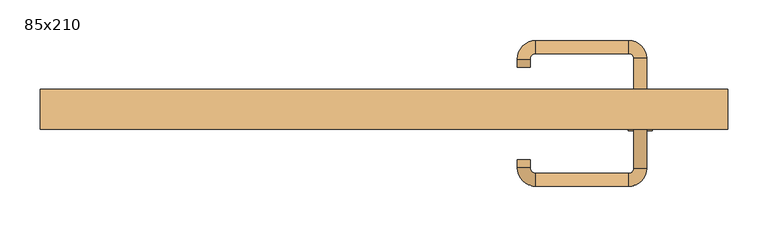
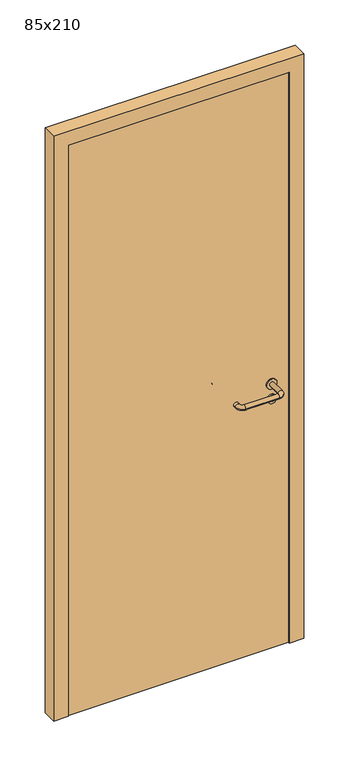
"""IFC4 building model written with IfcOpenShell, lengths in millimetres: door geometry, 85x210."""

from ifc_helpers import new_model, si_unit, point, frame, frame_2d, origin, origin_with_axes, place, context, project, spatial, polyline, circle_curve, ellipse_curve, trimmed, segment, composite_curve, outline, extrude, source, transform, mapped, element, save
from ifc_brep_helpers import plane_surface, cylinder_surface, revolved_surface, advanced_brep


def door_85x210_19d5e793(model_context):
    return source(origin(), model_context, "Body", "SolidModel", [
        extrude(outline(composite_curve([segment(trimmed(circle_curve(frame_2d((897.3605726, 317.0)), 15.0), [point((897.3605726, 332.0))], [point((897.3605726, 302.0))], False, "CARTESIAN"), True, "CONTINUOUS"), segment(trimmed(circle_curve(frame_2d((897.3605726, 317.0)), 15.0), [point((897.3605726, 302.0))], [point((897.3605726, 332.0))], False, "CARTESIAN"), True, "CONTINUOUS")], self_intersect=False), holes=[composite_curve([segment(trimmed(circle_curve(frame_2d((892.5833211, 316.9398032)), 2.0), [point((892.5833211, 318.9398032))], [point((892.5833211, 314.9398032))], True, "CARTESIAN"), True, "CONTINUOUS"), segment(polyline([(892.5833211, 314.9398032), (902.5833211, 314.9398032)]), True, "CONTINUOUS"), segment(trimmed(circle_curve(frame_2d((902.5833211, 316.9398032)), 2.0), [point((902.5833211, 314.9398032))], [point((902.5833211, 318.9398032))], True, "CARTESIAN"), True, "CONTINUOUS"), segment(polyline([(902.5833211, 318.9398032), (892.5833211, 318.9398032)]), True, "CONTINUOUS")], self_intersect=False)]), frame((0.0, -40.0, 0.0), z_axis=(0.0, 1.0, 0.0), x_axis=(0.0, 0.0, 1.0)), (0.0, 0.0, 1.0), 6.35),
        extrude(outline(composite_curve([segment(trimmed(circle_curve(frame_2d((950.0, 317.0)), 17.526), [point((950.0, 334.526))], [point((950.0, 299.474))], False, "CARTESIAN"), True, "CONTINUOUS"), segment(trimmed(circle_curve(frame_2d((950.0, 317.0)), 17.526), [point((950.0, 299.474))], [point((950.0, 334.526))], False, "CARTESIAN"), True, "CONTINUOUS")], self_intersect=False)), frame((0.0, -40.0, 0.0), z_axis=(0.0, 1.0, 0.0), x_axis=(0.0, 0.0, 1.0)), (0.0, 0.0, 1.0), 3.175),
        advanced_brep(
        [(325.0, -40.0, 950.0), (309.0, -40.0, 950.0), (325.0, 13.0, 950.0), (309.0, 13.0, 950.0), (302.8578644, 19.1421356, 950.0), (302.8578644, 35.1421356, 950.0), (187.8578644, 35.1421356, 950.0), (187.8578644, 19.1421356, 950.0), (181.008622, 12.2928932, 950.0), (165.008622, 12.2928932, 950.0), (165.008622, 2.2928932, 950.0), (181.008622, 2.2928932, 950.0)],
        [
            (0, 1, circle_curve(frame((317.0, -40.0, 950.0), z_axis=(0.0, -1.0, 0.0), x_axis=(-1.0, 0.0, 0.0)), 8.0)),
            (1, 0, circle_curve(frame((317.0, -40.0, 950.0), z_axis=(0.0, -1.0, 0.0), x_axis=(-1.0, 0.0, 0.0)), 8.0)),
            (0, 2),
            (2, 3, circle_curve(frame((317.0, 13.0, 950.0), z_axis=(0.0, -1.0, 0.0), x_axis=(-1.0, 0.0, 0.0)), 8.0)),
            (3, 1),
            (3, 2, circle_curve(frame((317.0, 13.0, 950.0), z_axis=(0.0, -1.0, 0.0), x_axis=(-1.0, 0.0, 0.0)), 8.0)),
            (4, 3, circle_curve(frame((302.8578644, 13.0, 950.0), z_axis=(0.0, 0.0, -1.0), x_axis=(1.0, 0.0, 0.0)), 6.1421356)),
            (2, 5, circle_curve(frame((302.8578644, 13.0, 950.0), z_axis=(0.0, 0.0, 1.0), x_axis=(1.0, 0.0, 0.0)), 22.1421356)),
            (5, 4, circle_curve(frame((302.8578644, 27.1421356, 950.0), z_axis=(1.0, 0.0, 0.0), x_axis=(0.0, -1.0, 0.0)), 8.0)),
            (4, 5, circle_curve(frame((302.8578644, 27.1421356, 950.0), z_axis=(1.0, 0.0, 0.0), x_axis=(0.0, -1.0, 0.0)), 8.0)),
            (5, 6),
            (6, 7, circle_curve(frame((187.8578644, 27.1421356, 950.0), z_axis=(1.0, 0.0, 0.0), x_axis=(0.0, -1.0, 0.0)), 8.0)),
            (7, 4),
            (7, 6, circle_curve(frame((187.8578644, 27.1421356, 950.0), z_axis=(1.0, 0.0, 0.0), x_axis=(0.0, -1.0, 0.0)), 8.0)),
            (8, 7, circle_curve(frame((187.8578644, 12.2928932, 950.0), z_axis=(0.0, 0.0, -1.0), x_axis=(0.0, 1.0, 0.0)), 6.8492424)),
            (6, 9, circle_curve(frame((187.8578644, 12.2928932, 950.0), z_axis=(0.0, 0.0, 1.0), x_axis=(0.0, 1.0, 0.0)), 22.8492424)),
            (9, 8, circle_curve(frame((173.008622, 12.2928932, 950.0), z_axis=(0.0, 1.0, 0.0), x_axis=(1.0, 0.0, 0.0)), 8.0)),
            (8, 9, circle_curve(frame((173.008622, 12.2928932, 950.0), z_axis=(0.0, 1.0, 0.0), x_axis=(1.0, 0.0, 0.0)), 8.0)),
            (10, 11, circle_curve(frame((173.008622, 2.2928932, 950.0), z_axis=(0.0, -1.0, 0.0), x_axis=(1.0, 0.0, 0.0)), 8.0)),
            (11, 10, circle_curve(frame((173.008622, 2.2928932, 950.0), z_axis=(0.0, -1.0, 0.0), x_axis=(1.0, 0.0, 0.0)), 8.0)),
            (9, 10),
            (11, 8),
        ],
        [
            plane_surface(frame((317.0, -40.0, 170.0), z_axis=(0.0, -1.0, 0.0), x_axis=(0.0, 0.0, 1.0))),
            cylinder_surface(frame((317.0, -40.0, 950.0), z_axis=(0.0, -1.0, 0.0), x_axis=(-1.0, 0.0, 0.0)), 8.0),
            revolved_surface(trimmed(ellipse_curve(frame((317.0, 13.0, 950.0), z_axis=(0.0, -1.0, 0.0), x_axis=(-1.0, 0.0, 0.0)), 8.0, 8.0), [point((325.0, 13.0, 950.0))], [point((309.0, 13.0, 950.0))], True, "CARTESIAN"), (302.8578644, 13.0, 170.0), (0.0, 0.0, 1.0)),
            revolved_surface(trimmed(ellipse_curve(frame((317.0, 13.0, 950.0), z_axis=(0.0, -1.0, 0.0), x_axis=(-1.0, 0.0, 0.0)), 8.0, 8.0), [point((309.0, 13.0, 950.0))], [point((325.0, 13.0, 950.0))], True, "CARTESIAN"), (302.8578644, 13.0, 170.0), (0.0, 0.0, 1.0)),
            cylinder_surface(frame((302.8578644, 27.1421356, 950.0), z_axis=(1.0, 0.0, 0.0), x_axis=(0.0, -1.0, 0.0)), 8.0),
            revolved_surface(trimmed(ellipse_curve(frame((187.8578644, 27.1421356, 950.0), z_axis=(1.0, 0.0, 0.0), x_axis=(0.0, -1.0, 0.0)), 8.0, 8.0), [point((187.8578644, 35.1421356, 950.0))], [point((187.8578644, 19.1421356, 950.0))], True, "CARTESIAN"), (187.8578644, 12.2928932, 170.0), (0.0, 0.0, 1.0)),
            revolved_surface(trimmed(ellipse_curve(frame((187.8578644, 27.1421356, 950.0), z_axis=(1.0, 0.0, 0.0), x_axis=(0.0, -1.0, 0.0)), 8.0, 8.0), [point((187.8578644, 19.1421356, 950.0))], [point((187.8578644, 35.1421356, 950.0))], True, "CARTESIAN"), (187.8578644, 12.2928932, 170.0), (0.0, 0.0, 1.0)),
            plane_surface(frame((173.008622, 2.2928932, 170.0), z_axis=(0.0, -1.0, 0.0), x_axis=(0.0, 0.0, 1.0))),
            cylinder_surface(frame((173.008622, 12.2928932, 950.0), z_axis=(0.0, 1.0, 0.0), x_axis=(1.0, 0.0, 0.0)), 8.0),
        ],
        [
            (0, [[1, 2]]),
            (1, [[-1, 3, 4, 5]]),
            (1, [[-2, -5, 6, -3]]),
            (2, [[7, -4, 8, 9]]),
            (3, [[-8, -6, -7, 10]]),
            (4, [[-9, 11, 12, 13]]),
            (4, [[-10, -13, 14, -11]]),
            (5, [[15, -12, 16, 17]]),
            (6, [[-16, -14, -15, 18]]),
            (7, [[19, 20]]),
            (8, [[-17, 21, -20, 22]]),
            (8, [[-18, -22, -19, -21]]),
        ],
    ),
        extrude(outline(composite_curve([segment(trimmed(circle_curve(frame_2d((0.0, 15.0)), 15.0), [point((0.0, 30.0))], [point((0.0, 0.0))], False, "CARTESIAN"), True, "CONTINUOUS"), segment(trimmed(circle_curve(frame_2d((0.0, 15.0)), 15.0), [point((0.0, 0.0))], [point((0.0, 30.0))], False, "CARTESIAN"), True, "CONTINUOUS")], self_intersect=False), holes=[composite_curve([segment(trimmed(circle_curve(frame_2d((-4.7772515, 14.9398032)), 2.0), [point((-4.7772515, 16.9398032))], [point((-4.7772515, 12.9398032))], True, "CARTESIAN"), True, "CONTINUOUS"), segment(polyline([(-4.7772515, 12.9398032), (5.2227485, 12.9398032)]), True, "CONTINUOUS"), segment(trimmed(circle_curve(frame_2d((5.2227485, 14.9398032)), 2.0), [point((5.2227485, 12.9398032))], [point((5.2227485, 16.9398032))], True, "CARTESIAN"), True, "CONTINUOUS"), segment(polyline([(5.2227485, 16.9398032), (-4.7772515, 16.9398032)]), True, "CONTINUOUS")], self_intersect=False)]), frame((302.0, -76.35, 897.3605726), z_axis=(-1.8870575173328306e-12, 1.0, 0.0), x_axis=(0.0, 0.0, 1.0)), (0.0, 0.0, 1.0), 6.35),
        extrude(outline(composite_curve([segment(trimmed(circle_curve(frame_2d((0.0, 17.526)), 17.526), [point((0.0, 35.052))], [point((0.0, 0.0))], False, "CARTESIAN"), True, "CONTINUOUS"), segment(trimmed(circle_curve(frame_2d((0.0, 17.526)), 17.526), [point((0.0, 0.0))], [point((0.0, 35.052))], False, "CARTESIAN"), True, "CONTINUOUS")], self_intersect=False)), frame((299.474, -73.175, 950.0), z_axis=(-1.8870575173328306e-12, 1.0, 0.0), x_axis=(0.0, 0.0, 1.0)), (0.0, 0.0, 1.0), 3.175),
        advanced_brep(
        [(325.0, -70.0, 950.0), (309.0, -70.0, 950.0), (309.0, -123.0, 950.0), (325.0, -123.0, 950.0), (302.8578644, -129.1421356, 950.0), (302.8578644, -145.1421356, 950.0), (187.8578644, -129.1421356, 950.0), (187.8578644, -145.1421356, 950.0), (181.008622, -122.2928932, 950.0), (165.008622, -122.2928932, 950.0), (165.008622, -112.2928932, 950.0), (181.008622, -112.2928932, 950.0)],
        [
            (0, 1, circle_curve(frame((317.0, -70.0, 950.0), z_axis=(-1.888672253512351e-12, 1.0, 0.0), x_axis=(-1.0, -1.888672253512351e-12, 0.0)), 8.0)),
            (1, 0, circle_curve(frame((317.0, -70.0, 950.0), z_axis=(-1.888672253512351e-12, 1.0, 0.0), x_axis=(-1.0, -1.888672253512351e-12, 0.0)), 8.0)),
            (1, 2),
            (2, 3, circle_curve(frame((317.0, -123.0, 950.0), z_axis=(-1.888672253512351e-12, 1.0, 0.0), x_axis=(-1.0, -1.888672253512351e-12, 0.0)), 8.0)),
            (3, 0),
            (3, 2, circle_curve(frame((317.0, -123.0, 950.0), z_axis=(-1.888672253512351e-12, 1.0, 0.0), x_axis=(-1.0, -1.888672253512351e-12, 0.0)), 8.0)),
            (4, 5, circle_curve(frame((302.8578644, -137.1421356, 950.0), z_axis=(1.0, 1.913702061528922e-12, 0.0), x_axis=(-1.913702061528922e-12, 1.0, 0.0)), 8.0)),
            (5, 3, circle_curve(frame((302.8578644, -123.0, 950.0), z_axis=(0.0, 0.0, 1.0), x_axis=(1.0, 1.880717803715015e-12, 0.0)), 22.1421356)),
            (2, 4, circle_curve(frame((302.8578644, -123.0, 950.0), z_axis=(0.0, 0.0, -1.0), x_axis=(1.0, 1.880717803715015e-12, 0.0)), 6.1421356)),
            (5, 4, circle_curve(frame((302.8578644, -137.1421356, 950.0), z_axis=(1.0, 1.913702061528922e-12, 0.0), x_axis=(-1.913702061528922e-12, 1.0, 0.0)), 8.0)),
            (4, 6),
            (6, 7, circle_curve(frame((187.8578644, -137.1421356, 950.0), z_axis=(1.0, 1.913719828541269e-12, 0.0), x_axis=(-1.913719828541269e-12, 1.0, 0.0)), 8.0)),
            (7, 5),
            (7, 6, circle_curve(frame((187.8578644, -137.1421356, 950.0), z_axis=(1.0, 1.913719828541269e-12, 0.0), x_axis=(-1.913719828541269e-12, 1.0, 0.0)), 8.0)),
            (8, 9, circle_curve(frame((173.008622, -122.2928932, 950.0), z_axis=(1.890226565746826e-12, -1.0, 0.0), x_axis=(1.0, 1.890226565746826e-12, 0.0)), 8.0)),
            (9, 7, circle_curve(frame((187.8578644, -122.2928932, 950.0), z_axis=(0.0, 0.0, 1.0), x_axis=(1.9120873253494017e-12, -1.0, 0.0)), 22.8492424)),
            (6, 8, circle_curve(frame((187.8578644, -122.2928932, 950.0), z_axis=(0.0, 0.0, -1.0), x_axis=(1.9120873253494017e-12, -1.0, 0.0)), 6.8492424)),
            (9, 8, circle_curve(frame((173.008622, -122.2928932, 950.0), z_axis=(1.890670654956676e-12, -1.0, 0.0), x_axis=(1.0, 1.890670654956676e-12, 0.0)), 8.0)),
            (10, 11, circle_curve(frame((173.008622, -112.2928932, 950.0), z_axis=(-1.8903642334018795e-12, 1.0, 0.0), x_axis=(1.0, 1.8903642334018795e-12, 0.0)), 8.0)),
            (11, 10, circle_curve(frame((173.008622, -112.2928932, 950.0), z_axis=(-1.8903642334018795e-12, 1.0, 0.0), x_axis=(1.0, 1.8903642334018795e-12, 0.0)), 8.0)),
            (8, 11),
            (10, 9),
        ],
        [
            plane_surface(frame((317.0, -70.0, 170.0), z_axis=(-1.8870575173328306e-12, 1.0, 0.0), x_axis=(0.0, 0.0, 1.0))),
            cylinder_surface(frame((317.0, -70.0, 950.0), z_axis=(-1.888672253512351e-12, 1.0, 0.0), x_axis=(-1.0, -1.888672253512351e-12, 0.0)), 8.0),
            revolved_surface(trimmed(ellipse_curve(frame((317.0, -123.0, 950.0), z_axis=(1.8823325398945356e-12, -1.0, 0.0), x_axis=(-1.0, -1.8823325398945356e-12, 0.0)), 8.0, 8.0), [point((325.0, -123.0, 950.0))], [point((309.0, -123.0, 950.0))], True, "CARTESIAN"), (302.8578644, -123.0, 170.0), (0.0, 0.0, 1.0)),
            revolved_surface(trimmed(ellipse_curve(frame((317.0, -123.0, 950.0), z_axis=(1.8823325398945356e-12, -1.0, 0.0), x_axis=(-1.0, -1.8823325398945356e-12, 0.0)), 8.0, 8.0), [point((309.0, -123.0, 950.0))], [point((325.0, -123.0, 950.0))], True, "CARTESIAN"), (302.8578644, -123.0, 170.0), (0.0, 0.0, 1.0)),
            cylinder_surface(frame((302.8578644, -137.1421356, 950.0), z_axis=(1.0, 1.913719828541269e-12, 0.0), x_axis=(-1.913719828541269e-12, 1.0, 0.0)), 8.0),
            revolved_surface(trimmed(ellipse_curve(frame((187.8578644, -137.1421356, 950.0), z_axis=(-1.0, -1.913702061528922e-12, 0.0), x_axis=(-1.913702061528922e-12, 1.0, 0.0)), 8.0, 8.0), [point((187.8578644, -145.1421356, 950.0))], [point((187.8578644, -129.1421356, 950.0))], True, "CARTESIAN"), (187.8578644, -122.2928932, 170.0), (0.0, 0.0, 1.0)),
            revolved_surface(trimmed(ellipse_curve(frame((187.8578644, -137.1421356, 950.0), z_axis=(-1.0, -1.913702061528922e-12, 0.0), x_axis=(-1.913702061528922e-12, 1.0, 0.0)), 8.0, 8.0), [point((187.8578644, -129.1421356, 950.0))], [point((187.8578644, -145.1421356, 950.0))], True, "CARTESIAN"), (187.8578644, -122.2928932, 170.0), (0.0, 0.0, 1.0)),
            plane_surface(frame((173.008622, -112.2928932, 170.0), z_axis=(-1.8887494972223595e-12, 1.0, 0.0), x_axis=(0.0, 0.0, 1.0))),
            cylinder_surface(frame((173.008622, -122.2928932, 950.0), z_axis=(1.8903642334018795e-12, -1.0, 0.0), x_axis=(1.0, 1.8903642334018795e-12, 0.0)), 8.0),
        ],
        [
            (0, [[1, 2]]),
            (1, [[3, 4, 5, -2]]),
            (1, [[-5, 6, -3, -1]]),
            (2, [[7, 8, -4, 9]]),
            (3, [[10, -9, -6, -8]]),
            (4, [[11, 12, 13, -7]]),
            (4, [[-13, 14, -11, -10]]),
            (5, [[15, 16, -12, 17]]),
            (6, [[18, -17, -14, -16]]),
            (7, [[19, 20]]),
            (8, [[21, -19, 22, -15]]),
            (8, [[-22, -20, -21, -18]]),
        ],
    ),
        extrude(outline(polyline([(2050.0, 375.0), (0.0, 375.0), (0.0, 425.0), (2100.0, 425.0), (2100.0, -425.0), (0.0, -425.0), (0.0, -375.0), (2050.0, -375.0), (2050.0, 375.0)])), frame((0.0, -75.0, 0.0), z_axis=(0.0, 1.0, 0.0), x_axis=(0.0, 0.0, 1.0)), (0.0, 0.0, 1.0), 50.0),
        extrude(outline(polyline([(-375.0, -70.0), (-375.0, -40.0), (375.0, -40.0), (375.0, -70.0), (-375.0, -70.0)])), origin_with_axes(), (0.0, 0.0, 1.0), 2050.0),
    ])


if __name__ == "__main__":
    model = new_model("IFC4")
    model_context = context("Model", 3, world=origin())
    ifc_project = project(units=[si_unit("LENGTHUNIT", "METRE", prefix="MILLI")], contexts=[model_context])
    site = spatial("IfcSite", under=ifc_project)
    building = spatial("IfcBuilding", under=site)
    placement = place(None, origin())
    door_85x210_shape = door_85x210_19d5e793(model_context)
    element("IfcDoor", 1, ObjectType="85x210", at=placement, inside=building, context=model_context, shape_type="MappedRepresentation", body=[
        mapped(door_85x210_shape, transform((0.0, 0.0, 0.0), x_axis=(1.0, 0.0, 0.0), y_axis=(0.0, 1.0, 0.0), z_axis=(0.0, 0.0, 1.0))),
    ])
    save(model, "model.ifc")
